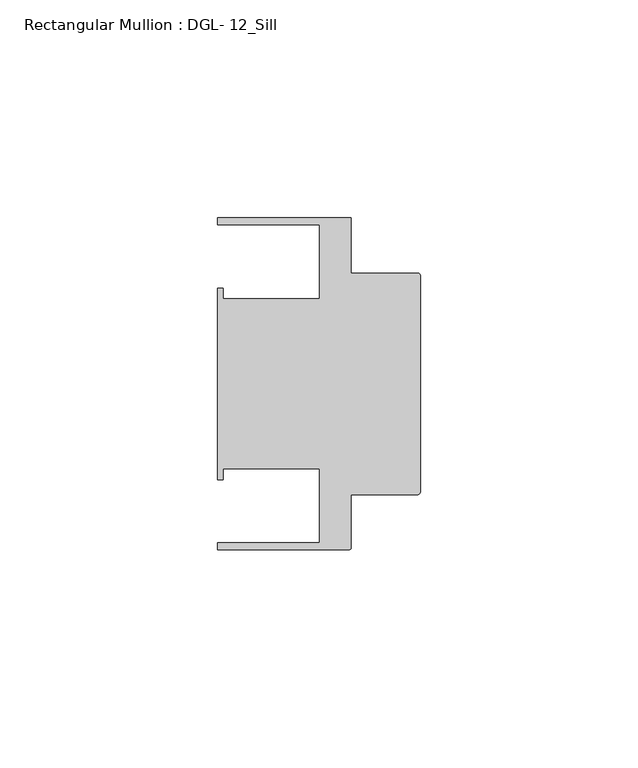
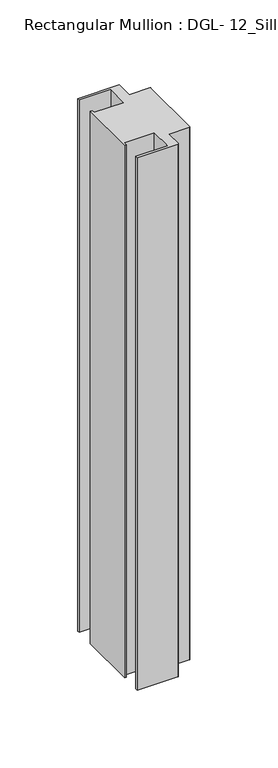
"""IFC4 building model written with IfcOpenShell, lengths in millimetres: member geometry, Rectangular Mullion : DGL- 12_Sill."""

from ifc_helpers import new_model, si_unit, point, frame, frame_2d, origin, place, context, project, spatial, polyline, circle_curve, trimmed, segment, composite_curve, outline, extrude, source, transform, mapped, element, save


def rectangular_mullion_dgl_12_sill_5d8814f6(model_context):
    return source(origin(), model_context, "Body", "SweptSolid", [
        extrude(outline(composite_curve([segment(trimmed(circle_curve(frame_2d((-0.5953125, 24.8046875)), 0.5953125), [point((-0.5953125, 25.4))], [point((0.0, 24.8046875))], False, "CARTESIAN"), True, "CONTINUOUS"), segment(polyline([(0.0, 24.8046875), (0.0, -24.8046875)]), True, "CONTINUOUS"), segment(trimmed(circle_curve(frame_2d((-0.5953125, -24.8046875)), 0.5953125), [point((0.0, -24.8046875))], [point((-0.5953125, -25.4))], False, "CARTESIAN"), True, "CONTINUOUS"), segment(polyline([(-0.5953125, -25.4), (-15.8750672, -25.4), (-15.8750672, -37.5047035)]), True, "CONTINUOUS"), segment(trimmed(circle_curve(frame_2d((-16.4703797, -37.5047035)), 0.5953125), [point((-15.8750672, -37.5047035))], [point((-16.4703797, -38.100016))], False, "CARTESIAN"), True, "CONTINUOUS"), segment(polyline([(-16.4703797, -38.100016), (-46.54296, -38.100016), (-46.54296, -36.512516), (-23.1202791, -36.512516), (-23.1202791, -19.4824275), (-45.2865266, -19.4824275), (-45.2865266, -21.9710976), (-46.54296, -21.9710976), (-46.54296, 21.9710976), (-45.2865266, 21.9710976), (-45.2865266, 19.4824275), (-23.1202791, 19.4824275), (-23.1202791, 36.512516), (-46.54296, 36.512516), (-46.54296, 38.0996792), (-15.8750672, 38.0996792), (-15.8750672, 25.4), (-0.5953125, 25.4)]), True, "CONTINUOUS")], self_intersect=False)), frame((0.0, 0.0, -417.5160402), z_axis=(0.0, 0.0, 1.0), x_axis=(1.0, 0.0, 0.0)), (0.0, 0.0, 1.0), 417.5160402),
    ])


if __name__ == "__main__":
    model = new_model("IFC4")
    model_context = context("Model", 3, world=origin())
    ifc_project = project(units=[si_unit("LENGTHUNIT", "METRE", prefix="MILLI")], contexts=[model_context])
    site = spatial("IfcSite", under=ifc_project)
    building = spatial("IfcBuilding", under=site)
    placement = place(None, origin())
    rectangular_mullion_dgl_12_sill_shape = rectangular_mullion_dgl_12_sill_5d8814f6(model_context)
    element("IfcMember", 1, ObjectType="Rectangular Mullion : DGL- 12_Sill", at=placement, inside=building, context=model_context, shape_type="MappedRepresentation", body=[
        mapped(rectangular_mullion_dgl_12_sill_shape, transform((0.0, 0.0, 0.0), x_axis=(1.0, 0.0, 0.0), y_axis=(0.0, 1.0, 0.0), z_axis=(0.0, 0.0, 1.0))),
    ])
    save(model, "model.ifc")
